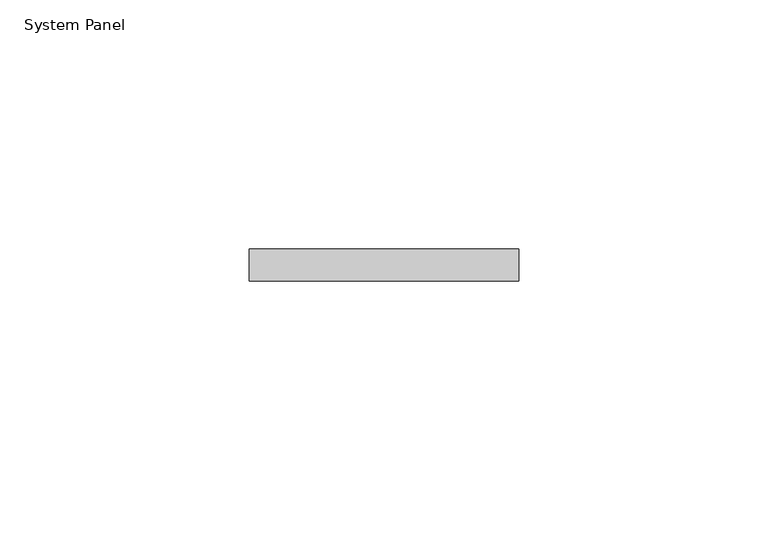
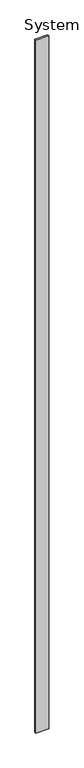
"""IFC4 building model written with IfcOpenShell, lengths in millimetres: plate geometry, System Panel."""

from ifc_helpers import new_model, si_unit, origin, origin_with_axes, place, context, project, spatial, polyline, outline, extrude, source, transform, mapped, element, save


def system_panel_81b8c71b(model_context):
    return source(origin(), model_context, "Body", "SweptSolid", [
        extrude(outline(polyline([(26.9893066, 0.0), (-26.9893066, 0.0), (-26.9893066, 6.35), (26.9893066, 6.35), (26.9893066, 0.0)])), origin_with_axes(), (0.0, 0.0, 1.0), 3048.0),
    ])


if __name__ == "__main__":
    model = new_model("IFC4")
    model_context = context("Model", 3, world=origin())
    ifc_project = project(units=[si_unit("LENGTHUNIT", "METRE", prefix="MILLI")], contexts=[model_context])
    site = spatial("IfcSite", under=ifc_project)
    building = spatial("IfcBuilding", under=site)
    placement = place(None, origin())
    system_panel_shape = system_panel_81b8c71b(model_context)
    element("IfcPlate", 1, ObjectType="System Panel", at=placement, inside=building, context=model_context, shape_type="MappedRepresentation", body=[
        mapped(system_panel_shape, transform((0.0, 0.0, 0.0), x_axis=(1.0, 0.0, 0.0), y_axis=(0.0, 1.0, 0.0), z_axis=(0.0, 0.0, 1.0))),
    ])
    save(model, "model.ifc")
